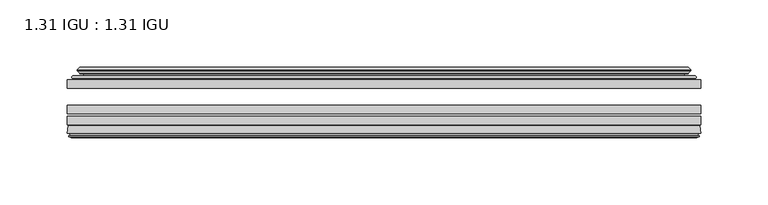
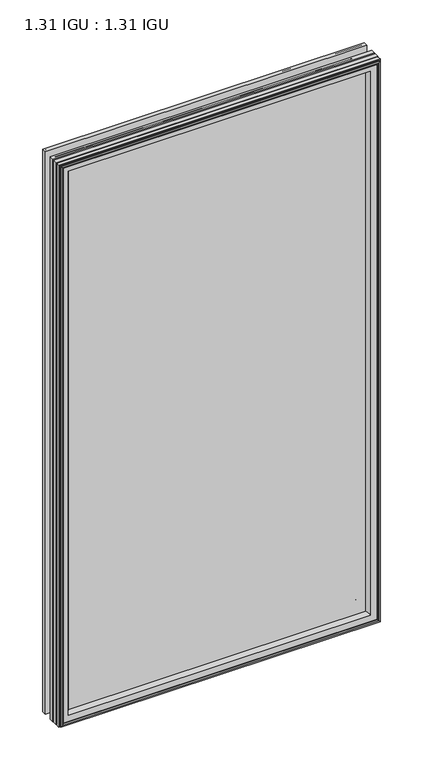
"""IFC4 building model written with IfcOpenShell, lengths in millimetres: plate geometry, 1.31 IGU : 1.31 IGU."""

from ifc_helpers import new_model, si_unit, frame, origin, place, context, project, spatial, polyline, ellipse_curve, outline, extrude, source, transform, mapped, element, save
from ifc_brep_helpers import plane_surface, cylinder_surface, revolved_surface, advanced_brep


def plate_1_31_igu_1_31_igu_f16c3557(model_context):
    return source(origin(), model_context, "Body", "SolidModel", [
        extrude(outline(polyline([(235.9413865, -51.7723437), (235.9413865, -58.1223438), (-236.0083333, -58.1223438), (-236.0083333, -51.7723437), (235.9413865, -51.7723437)])), frame((0.0, 0.0, -14.2875), z_axis=(0.0, 0.0, 1.0), x_axis=(1.0, 0.0, 0.0)), (0.0, 0.0, 1.0), 873.125),
        extrude(outline(polyline([(-236.0083333, -85.4273438), (-236.0083333, -79.0773437), (235.9413865, -79.0773437), (235.9413865, -85.4273438), (-236.0083333, -85.4273438)])), frame((0.0, 0.0, -14.2875), z_axis=(0.0, 0.0, 1.0), x_axis=(1.0, 0.0, 0.0)), (0.0, 0.0, 1.0), 873.125),
        extrude(outline(polyline([(-236.0083333, -77.1723438), (-236.0083333, -70.8223438), (235.9413865, -70.8223438), (235.9413865, -77.1723438), (-236.0083333, -77.1723438)])), frame((0.0, 0.0, -14.2875), z_axis=(0.0, 0.0, 1.0), x_axis=(1.0, 0.0, 0.0)), (0.0, 0.0, 1.0), 873.125),
        advanced_brep(
        [(-236.0210333, -91.7773437, 858.8502), (-235.3262495, -86.1187838, 858.1554162), (-235.3262495, -86.1187838, -13.6054162), (-236.0210333, -91.7773437, -14.3002), (-233.6334333, -93.768408, 856.4626), (-234.0906333, -91.7773437, 856.9198), (-234.0906333, -91.7773437, -12.3698), (-233.6334333, -93.768408, -11.9126), (-234.6347952, -93.5000939, 857.4639619), (-234.6347952, -93.5000939, -12.9139619), (-234.8780333, -94.407871, 857.7072), (-234.8780333, -94.407871, -13.1572), (-232.8460333, -94.9523437, 855.6752), (-232.8460333, -94.9523437, -11.1252), (-230.8140333, -94.407871, 853.6432), (-230.8140333, -94.407871, -9.0932), (-231.0572715, -93.5000939, 853.8864381), (-231.0572715, -93.5000939, -9.3364381), (-232.0586333, -93.768408, 854.8878), (-232.0586333, -93.768408, -10.3378), (-231.6014333, -91.7773437, 854.4306), (-231.6014333, -91.7773437, -9.8806), (-217.5318119, -85.4273437, 840.3609786), (-221.7208333, -91.7773437, 844.55), (-221.7208333, -91.7773437, 0.0), (-217.5318119, -85.4273437, 4.1890214), (-234.5447187, -85.4273437, 857.3738854), (-234.5447187, -85.4273437, -12.8238854), (235.3262495, -86.1187838, -13.6054162), (236.0210333, -91.7773437, -14.3002), (234.0906333, -91.7773437, -12.3698), (233.6334333, -93.768408, -11.9126), (234.6347952, -93.5000939, -12.9139619), (234.8780333, -94.407871, -13.1572), (232.8460333, -94.9523437, -11.1252), (230.8140333, -94.407871, -9.0932), (231.0572715, -93.5000939, -9.3364381), (232.0586333, -93.768408, -10.3378), (231.6014333, -91.7773437, -9.8806), (221.7208333, -91.7773437, 0.0), (217.5318119, -85.4273437, 4.1890214), (234.5447187, -85.4273437, -12.8238854), (235.3262495, -86.1187838, 858.1554162), (236.0210333, -91.7773437, 858.8502), (234.0906333, -91.7773437, 856.9198), (233.6334333, -93.768408, 856.4626), (234.6347952, -93.5000939, 857.4639619), (234.8780333, -94.407871, 857.7072), (232.8460333, -94.9523437, 855.6752), (230.8140333, -94.407871, 853.6432), (231.0572715, -93.5000939, 853.8864381), (232.0586333, -93.768408, 854.8878), (231.6014333, -91.7773437, 854.4306), (221.7208333, -91.7773437, 844.55), (217.5318119, -85.4273437, 840.3609786), (234.5447187, -85.4273437, 857.3738854)],
        [
            (0, 1),
            (1, 2),
            (2, 3),
            (3, 0),
            (4, 5),
            (5, 6),
            (6, 7),
            (7, 4),
            (8, 4),
            (7, 9),
            (9, 8),
            (10, 8),
            (9, 11),
            (11, 10),
            (12, 10),
            (11, 13),
            (13, 12),
            (14, 12),
            (13, 15),
            (15, 14),
            (16, 14),
            (15, 17),
            (17, 16),
            (18, 16),
            (17, 19),
            (19, 18),
            (20, 18),
            (19, 21),
            (21, 20),
            (22, 23, ellipse_curve(frame((-214.7369394, -91.8278132, 837.566106), z_axis=(0.7071067811865475, 0.0, 0.7071067811865475), x_axis=(0.7071067811865474, 0.0, -0.7071067811865476)), 9.8769754, 6.9840763)),
            (23, 24),
            (24, 25, ellipse_curve(frame((-214.7369394, -91.8278132, 6.983894), z_axis=(0.7071067811865475, 0.0, -0.7071067811865475), x_axis=(-0.7071067811865474, 0.0, -0.7071067811865476)), 9.8769754, 6.9840763)),
            (25, 22),
            (1, 26, ellipse_curve(frame((-234.5447187, -86.2147437, 857.3738854), z_axis=(-0.7071067811865475, 0.0, -0.7071067811865475), x_axis=(-0.7071067811865474, 0.0, 0.7071067811865476)), 1.1135518, 0.7874)),
            (26, 27),
            (27, 2, ellipse_curve(frame((-234.5447187, -86.2147437, -12.8238854), z_axis=(-0.7071067811865475, 0.0, 0.7071067811865475), x_axis=(0.7071067811865474, 0.0, 0.7071067811865476)), 1.1135518, 0.7874)),
            (2, 28),
            (28, 29),
            (29, 3),
            (6, 30),
            (30, 31),
            (31, 7),
            (31, 32),
            (32, 9),
            (32, 33),
            (33, 11),
            (33, 34),
            (34, 13),
            (34, 35),
            (35, 15),
            (35, 36),
            (36, 17),
            (36, 37),
            (37, 19),
            (37, 38),
            (38, 21),
            (24, 39),
            (39, 40, ellipse_curve(frame((214.7369394, -91.8278132, 6.983894), z_axis=(0.7071067811865475, 0.0, 0.7071067811865475), x_axis=(0.7071067811865476, 0.0, -0.7071067811865474)), 9.8769754, 6.9840763)),
            (40, 25),
            (27, 41),
            (41, 28, ellipse_curve(frame((234.5447187, -86.2147437, -12.8238854), z_axis=(-0.7071067811865475, 0.0, -0.7071067811865475), x_axis=(-0.7071067811865476, 0.0, 0.7071067811865474)), 1.1135518, 0.7874)),
            (28, 42),
            (42, 43),
            (43, 29),
            (30, 44),
            (44, 45),
            (45, 31),
            (45, 46),
            (46, 32),
            (46, 47),
            (47, 33),
            (47, 48),
            (48, 34),
            (48, 49),
            (49, 35),
            (49, 50),
            (50, 36),
            (50, 51),
            (51, 37),
            (51, 52),
            (52, 38),
            (39, 53),
            (53, 54, ellipse_curve(frame((214.7369394, -91.8278132, 837.566106), z_axis=(-0.7071067811865475, 0.0, 0.7071067811865475), x_axis=(0.7071067811865474, 0.0, 0.7071067811865476)), 9.8769754, 6.9840763)),
            (54, 40),
            (41, 55),
            (55, 42, ellipse_curve(frame((234.5447187, -86.2147437, 857.3738854), z_axis=(0.7071067811865475, 0.0, -0.7071067811865475), x_axis=(-0.7071067811865474, 0.0, -0.7071067811865476)), 1.1135518, 0.7874)),
            (42, 1),
            (0, 43),
            (5, 44),
            (4, 45),
            (8, 46),
            (10, 47),
            (12, 48),
            (14, 49),
            (16, 50),
            (18, 51),
            (20, 52),
            (23, 53),
            (22, 54),
            (26, 55),
        ],
        [
            plane_surface(frame((-235.3262495, -86.1187838, 858.1554162), z_axis=(-0.9925461516413241, 0.12186934340513102, 0.0), x_axis=(0.0, 0.0, -1.0))),
            plane_surface(frame((-234.0906333, -91.7773437, 856.9198), z_axis=(-0.9746347637895992, -0.22380142361654515, 0.0), x_axis=(0.0, 0.0, -1.0))),
            plane_surface(frame((-233.6334333, -93.768408, 856.4626), z_axis=(0.2588190451026678, 0.9659258262890289, 0.0), x_axis=(0.0, 0.0, -1.0))),
            plane_surface(frame((-234.6347952, -93.5000939, 857.4639619), z_axis=(-0.9659258262890449, 0.2588190451026082, 0.0), x_axis=(0.0, 0.0, -1.0))),
            plane_surface(frame((-234.8780333, -94.407871, 857.7072), z_axis=(-0.25881904510250453, -0.9659258262890728, 0.0), x_axis=(0.0, 0.0, -1.0))),
            plane_surface(frame((-232.8460333, -94.9523437, 855.6752), z_axis=(0.25881904510247905, -0.9659258262890795, 0.0), x_axis=(0.0, 0.0, -1.0))),
            plane_surface(frame((-230.8140333, -94.407871, 853.6432), z_axis=(0.9659258262890272, 0.2588190451026741, 0.0), x_axis=(0.0, 0.0, -1.0))),
            plane_surface(frame((-231.0572715, -93.5000939, 853.8864381), z_axis=(-0.2588190451023418, 0.9659258262891163, 0.0), x_axis=(0.0, 0.0, -1.0))),
            plane_surface(frame((-232.0586333, -93.768408, 854.8878), z_axis=(0.9746347637895937, -0.22380142361656946, 0.0), x_axis=(0.0, 0.0, -1.0))),
            revolved_surface(polyline([(-221.7210157, -91.8278132, -0.00018228295277822326), (-221.7210157, -91.8278132, 844.5501822829527)]), (-214.7369394, -91.8278132, 876.3), (0.0, 0.0, -1.0)),
            cylinder_surface(frame((-234.5447187, -86.2147437, 876.3), z_axis=(0.0, 0.0, 1.0), x_axis=(-1.0, 0.0, 0.0)), 0.7874),
            plane_surface(frame((-235.3262495, -86.1187838, -13.6054162), z_axis=(0.0, 0.12186934340512784, -0.9925461516413245), x_axis=(1.0, 0.0, 0.0))),
            plane_surface(frame((-234.0906333, -91.7773437, -12.3698), z_axis=(0.0, -0.22380142361654828, -0.9746347637895986), x_axis=(1.0, 0.0, 0.0))),
            plane_surface(frame((-233.6334333, -93.768408, -11.9126), z_axis=(0.0, 0.9659258262890298, 0.25881904510266474), x_axis=(1.0, 0.0, 0.0))),
            plane_surface(frame((-234.6347952, -93.5000939, -12.9139619), z_axis=(0.0, 0.2588190451026051, -0.9659258262890457), x_axis=(1.0, 0.0, 0.0))),
            plane_surface(frame((-234.8780333, -94.407871, -13.1572), z_axis=(0.0, -0.9659258262890735, -0.2588190451025014), x_axis=(1.0, 0.0, 0.0))),
            plane_surface(frame((-232.8460333, -94.9523437, -11.1252), z_axis=(0.0, -0.9659258262890787, 0.25881904510248216), x_axis=(1.0, 0.0, 0.0))),
            plane_surface(frame((-230.8140333, -94.407871, -9.0932), z_axis=(0.0, 0.2588190451026772, 0.9659258262890265), x_axis=(1.0, 0.0, 0.0))),
            plane_surface(frame((-231.0572715, -93.5000939, -9.3364381), z_axis=(0.0, 0.9659258262891155, -0.25881904510234494), x_axis=(1.0, 0.0, 0.0))),
            plane_surface(frame((-232.0586333, -93.768408, -10.3378), z_axis=(0.0, -0.22380142361656633, 0.9746347637895943), x_axis=(1.0, 0.0, 0.0))),
            revolved_surface(polyline([(221.7210156829527, -91.8278132, -0.00018229999999963553), (-221.72101568295273, -91.8278132, -0.00018229999999963553)]), (-253.4708333, -91.8278132, 6.983894), (1.0, 0.0, 0.0)),
            cylinder_surface(frame((-253.4708333, -86.2147437, -12.8238854), z_axis=(-1.0, 0.0, 0.0), x_axis=(0.0, 0.0, -1.0)), 0.7874),
            plane_surface(frame((235.3262495, -86.1187838, -13.6054162), z_axis=(0.992546151641325, 0.12186934340512466, 0.0), x_axis=(0.0, 0.0, 1.0))),
            plane_surface(frame((234.0906333, -91.7773437, -12.3698), z_axis=(0.9746347637895978, -0.2238014236165514, 0.0), x_axis=(0.0, 0.0, 1.0))),
            plane_surface(frame((233.6334333, -93.768408, -11.9126), z_axis=(-0.2588190451026616, 0.9659258262890306, 0.0), x_axis=(0.0, 0.0, 1.0))),
            plane_surface(frame((234.6347952, -93.5000939, -12.9139619), z_axis=(0.9659258262890466, 0.25881904510260206, 0.0), x_axis=(0.0, 0.0, 1.0))),
            plane_surface(frame((234.8780333, -94.407871, -13.1572), z_axis=(0.2588190451024983, -0.9659258262890743, 0.0), x_axis=(0.0, 0.0, 1.0))),
            plane_surface(frame((232.8460333, -94.9523437, -11.1252), z_axis=(-0.25881904510248527, -0.9659258262890779, 0.0), x_axis=(0.0, 0.0, 1.0))),
            plane_surface(frame((230.8140333, -94.407871, -9.0932), z_axis=(-0.9659258262890257, 0.25881904510268033, 0.0), x_axis=(0.0, 0.0, 1.0))),
            plane_surface(frame((231.0572715, -93.5000939, -9.3364381), z_axis=(0.25881904510234804, 0.9659258262891147, 0.0), x_axis=(0.0, 0.0, 1.0))),
            plane_surface(frame((232.0586333, -93.768408, -10.3378), z_axis=(-0.974634763789595, -0.2238014236165632, 0.0), x_axis=(0.0, 0.0, 1.0))),
            revolved_surface(polyline([(221.7210157, -91.8278132, 844.5501822829527), (221.7210157, -91.8278132, -0.0001822829527107217)]), (214.7369394, -91.8278132, -31.75), (0.0, 0.0, 1.0)),
            cylinder_surface(frame((234.5447187, -86.2147437, -31.75), z_axis=(0.0, 0.0, -1.0), x_axis=(1.0, 0.0, 0.0)), 0.7874),
            plane_surface(frame((235.3262495, -86.1187838, 858.1554162), z_axis=(0.0, 0.12186934340512784, 0.9925461516413245), x_axis=(-1.0, 0.0, 0.0))),
            plane_surface(frame((236.0210333, -91.7773437, 858.8502), z_axis=(0.0, -1.0, 0.0), x_axis=(-1.0, 0.0, 0.0))),
            plane_surface(frame((234.0906333, -91.7773437, 856.9198), z_axis=(0.0, -0.22380142361654826, 0.9746347637895985), x_axis=(-1.0, 0.0, 0.0))),
            plane_surface(frame((233.6334333, -93.768408, 856.4626), z_axis=(0.0, 0.9659258262890298, -0.25881904510266474), x_axis=(-1.0, 0.0, 0.0))),
            plane_surface(frame((234.6347952, -93.5000939, 857.4639619), z_axis=(0.0, 0.25881904510260517, 0.9659258262890458), x_axis=(-1.0, 0.0, 0.0))),
            plane_surface(frame((234.8780333, -94.407871, 857.7072), z_axis=(0.0, -0.9659258262890735, 0.2588190451025014), x_axis=(-1.0, 0.0, 0.0))),
            plane_surface(frame((232.8460333, -94.9523437, 855.6752), z_axis=(0.0, -0.9659258262890786, -0.25881904510248216), x_axis=(-1.0, 0.0, 0.0))),
            plane_surface(frame((230.8140333, -94.407871, 853.6432), z_axis=(0.0, 0.2588190451026772, -0.9659258262890265), x_axis=(-1.0, 0.0, 0.0))),
            plane_surface(frame((231.0572715, -93.5000939, 853.8864381), z_axis=(0.0, 0.9659258262891155, 0.25881904510234494), x_axis=(-1.0, 0.0, 0.0))),
            plane_surface(frame((232.0586333, -93.768408, 854.8878), z_axis=(0.0, -0.22380142361656633, -0.9746347637895943), x_axis=(-1.0, 0.0, 0.0))),
            plane_surface(frame((231.6014333, -91.7773437, 854.4306), z_axis=(0.0, -1.0, 0.0), x_axis=(-1.0, 0.0, 0.0))),
            revolved_surface(polyline([(-221.7210156829527, -91.8278132, 844.5501823), (221.72101568295273, -91.8278132, 844.5501823)]), (253.4708333, -91.8278132, 837.566106), (-1.0, 0.0, 0.0)),
            plane_surface(frame((217.5318119, -85.4273437, 840.3609786), z_axis=(0.0, 1.0, 0.0), x_axis=(-1.0, 0.0, 0.0))),
            cylinder_surface(frame((253.4708333, -86.2147437, 857.3738854), z_axis=(1.0, 0.0, 0.0), x_axis=(0.0, 0.0, 1.0)), 0.7874),
        ],
        [
            (0, [[1, 2, 3, 4]]),
            (1, [[5, 6, 7, 8]]),
            (2, [[9, -8, 10, 11]]),
            (3, [[12, -11, 13, 14]]),
            (4, [[15, -14, 16, 17]]),
            (5, [[18, -17, 19, 20]]),
            (6, [[21, -20, 22, 23]]),
            (7, [[24, -23, 25, 26]]),
            (8, [[27, -26, 28, 29]]),
            (9, [[30, 31, 32, 33]]),
            (10, [[34, 35, 36, -2]]),
            (11, [[-3, 37, 38, 39]]),
            (12, [[-7, 40, 41, 42]]),
            (13, [[-10, -42, 43, 44]]),
            (14, [[-13, -44, 45, 46]]),
            (15, [[-16, -46, 47, 48]]),
            (16, [[-19, -48, 49, 50]]),
            (17, [[-22, -50, 51, 52]]),
            (18, [[-25, -52, 53, 54]]),
            (19, [[-28, -54, 55, 56]]),
            (20, [[-32, 57, 58, 59]]),
            (21, [[-36, 60, 61, -37]]),
            (22, [[-38, 62, 63, 64]]),
            (23, [[-41, 65, 66, 67]]),
            (24, [[-43, -67, 68, 69]]),
            (25, [[-45, -69, 70, 71]]),
            (26, [[-47, -71, 72, 73]]),
            (27, [[-49, -73, 74, 75]]),
            (28, [[-51, -75, 76, 77]]),
            (29, [[-53, -77, 78, 79]]),
            (30, [[-55, -79, 80, 81]]),
            (31, [[-58, 82, 83, 84]]),
            (32, [[-61, 85, 86, -62]]),
            (33, [[-63, 87, -1, 88]]),
            (34, [[-39, -64, -88, -4], [89, -65, -40, -6]]),
            (35, [[-66, -89, -5, 90]]),
            (36, [[-68, -90, -9, 91]]),
            (37, [[-70, -91, -12, 92]]),
            (38, [[-72, -92, -15, 93]]),
            (39, [[-74, -93, -18, 94]]),
            (40, [[-76, -94, -21, 95]]),
            (41, [[-78, -95, -24, 96]]),
            (42, [[-80, -96, -27, 97]]),
            (43, [[-56, -81, -97, -29], [98, -82, -57, -31]]),
            (44, [[-83, -98, -30, 99]]),
            (45, [[100, -85, -60, -35], [-59, -84, -99, -33]]),
            (46, [[-86, -100, -34, -87]]),
        ],
    ),
        advanced_brep(
        [(-217.6731235, -50.6812421, 840.5022902), (-218.1149337, -51.7723437, 840.9441004), (-218.1149337, -51.7723437, 3.6058996), (-217.6731235, -50.6812421, 4.0477098), (-221.7208333, -42.9585437, 844.55), (-221.7208333, -42.9585437, 0.0), (-226.9067442, -44.1396428, 849.7359109), (-226.9067442, -44.1396428, -5.1859109), (-226.5771689, -43.3125262, 849.4063356), (-226.5771689, -43.3125262, -4.8563356), (-226.5771689, -42.4982749, 849.4063356), (-226.5771689, -42.4982749, -4.8563356), (-228.3934444, -44.4569108, 851.2226111), (-228.3934444, -44.4569108, -6.6726111), (-228.3934444, -45.1700367, 851.2226111), (-228.3934444, -45.1700367, -6.6726111), (-226.5771689, -47.1188911, 849.4063356), (-226.5771689, -47.1188911, -4.8563356), (-226.5771689, -46.3144213, 849.4063356), (-226.5771689, -46.3144213, -4.8563356), (-226.8990834, -45.5065305, 849.7282501), (-226.8990834, -45.5065305, -5.1782501), (-224.3752712, -45.3481387, 847.2044379), (-224.3752712, -45.3481387, -2.6544379), (-223.349455, -46.0358481, 846.1786217), (-223.349455, -46.0358481, -1.6286217), (-223.4678622, -47.4303169, 846.2970288), (-223.4678622, -47.4303169, -1.7470288), (-224.0696081, -48.9275437, 846.8987748), (-224.0696081, -48.9275437, -2.3487748), (-231.9953887, -50.8359667, 854.8245553), (-231.5097578, -48.9275437, 854.3389245), (-231.5097578, -48.9275437, -9.7889245), (-231.9953887, -50.8359667, -10.2745553), (-230.2746488, -51.7723437, 853.1038155), (-230.2746488, -51.7723437, -8.5538155), (218.1149337, -51.7723437, 3.6058996), (217.6731235, -50.6812421, 4.0477098), (221.7208333, -42.9585437, 0.0), (226.9067442, -44.1396428, -5.1859109), (226.5771689, -43.3125262, -4.8563356), (226.5771689, -42.4982749, -4.8563356), (228.3934444, -44.4569108, -6.6726111), (228.3934444, -45.1700367, -6.6726111), (226.5771689, -47.1188911, -4.8563356), (226.5771689, -46.3144213, -4.8563356), (226.8990834, -45.5065305, -5.1782501), (224.3752712, -45.3481387, -2.6544379), (223.349455, -46.0358481, -1.6286217), (223.4678622, -47.4303169, -1.7470288), (224.0696081, -48.9275437, -2.3487748), (231.5097578, -48.9275437, -9.7889245), (231.9953887, -50.8359667, -10.2745553), (230.2746488, -51.7723437, -8.5538155), (218.1149337, -51.7723437, 840.9441004), (217.6731235, -50.6812421, 840.5022902), (221.7208333, -42.9585437, 844.55), (226.9067442, -44.1396428, 849.7359109), (226.5771689, -43.3125262, 849.4063356), (226.5771689, -42.4982749, 849.4063356), (228.3934444, -44.4569108, 851.2226111), (228.3934444, -45.1700367, 851.2226111), (226.5771689, -47.1188911, 849.4063356), (226.5771689, -46.3144213, 849.4063356), (226.8990834, -45.5065305, 849.7282501), (224.3752712, -45.3481387, 847.2044379), (223.349455, -46.0358481, 846.1786217), (223.4678622, -47.4303169, 846.2970288), (224.0696081, -48.9275437, 846.8987748), (231.5097578, -48.9275437, 854.3389245), (231.9953887, -50.8359667, 854.8245553), (230.2746488, -51.7723437, 853.1038155)],
        [
            (0, 1, ellipse_curve(frame((-218.1149337, -51.1373437, 840.9441004), z_axis=(-0.7071067811865475, 0.0, -0.7071067811865475), x_axis=(-0.7071067811865474, 0.0, 0.7071067811865476)), 0.8980256, 0.635)),
            (1, 2),
            (2, 3, ellipse_curve(frame((-218.1149337, -51.1373437, 3.6058996), z_axis=(-0.7071067811865475, 0.0, 0.7071067811865475), x_axis=(0.7071067811865474, 0.0, 0.7071067811865476)), 0.8980256, 0.635)),
            (3, 0),
            (4, 0, ellipse_curve(frame((-207.9880387, -40.6828682, 830.8172054), z_axis=(0.7071067811865475, 0.0, 0.7071067811865475), x_axis=(0.7071067811865474, 0.0, -0.7071067811865476)), 19.6859517, 13.9200699)),
            (3, 5, ellipse_curve(frame((-207.9880387, -40.6828682, 13.7327946), z_axis=(0.7071067811865475, 0.0, -0.7071067811865475), x_axis=(-0.7071067811865474, 0.0, -0.7071067811865476)), 19.6859517, 13.9200699)),
            (5, 4),
            (6, 4),
            (5, 7),
            (7, 6),
            (8, 6),
            (7, 9),
            (9, 8),
            (10, 8),
            (9, 11),
            (11, 10),
            (12, 10),
            (11, 13),
            (13, 12),
            (14, 12, ellipse_curve(frame((-228.0316062, -44.8134737, 850.8607729), z_axis=(-0.7071067811865475, 0.0, -0.7071067811865475), x_axis=(-0.7071067811865474, 0.0, 0.7071067811865476)), 0.7184205, 0.508)),
            (13, 15, ellipse_curve(frame((-228.0316062, -44.8134737, -6.3107729), z_axis=(-0.7071067811865475, 0.0, 0.7071067811865475), x_axis=(0.7071067811865474, 0.0, 0.7071067811865476)), 0.7184205, 0.508)),
            (15, 14),
            (16, 14),
            (15, 17),
            (17, 16),
            (18, 16),
            (17, 19),
            (19, 18),
            (20, 18),
            (19, 21),
            (21, 20),
            (22, 20),
            (21, 23),
            (23, 22),
            (24, 22, ellipse_curve(frame((-224.3116333, -46.3621437, 847.1408), z_axis=(0.7071067811865475, 0.0, 0.7071067811865475), x_axis=(0.7071067811865474, 0.0, -0.7071067811865476)), 1.436841, 1.016)),
            (23, 25, ellipse_curve(frame((-224.3116333, -46.3621437, -2.5908), z_axis=(0.7071067811865475, 0.0, -0.7071067811865475), x_axis=(-0.7071067811865474, 0.0, -0.7071067811865476)), 1.436841, 1.016)),
            (25, 24),
            (26, 24, ellipse_curve(frame((-225.6832333, -46.5399437, 848.5124), z_axis=(0.7071067811865475, 0.0, 0.7071067811865475), x_axis=(0.7071067811865474, 0.0, -0.7071067811865476)), 3.3765763, 2.3876)),
            (25, 27, ellipse_curve(frame((-225.6832333, -46.5399437, -3.9624), z_axis=(0.7071067811865475, 0.0, -0.7071067811865475), x_axis=(-0.7071067811865474, 0.0, -0.7071067811865476)), 3.3765763, 2.3876)),
            (27, 26),
            (28, 26),
            (27, 29),
            (29, 28),
            (30, 31, ellipse_curve(frame((-231.5097578, -49.9435437, 854.3389245), z_axis=(-0.7071067811865475, 0.0, -0.7071067811865475), x_axis=(-0.7071067811865474, 0.0, 0.7071067811865476)), 1.436841, 1.016)),
            (31, 32),
            (32, 33, ellipse_curve(frame((-231.5097578, -49.9435437, -9.7889245), z_axis=(-0.7071067811865475, 0.0, 0.7071067811865475), x_axis=(0.7071067811865474, 0.0, 0.7071067811865476)), 1.436841, 1.016)),
            (33, 30),
            (34, 30),
            (33, 35),
            (35, 34),
            (2, 36),
            (36, 37, ellipse_curve(frame((218.1149337, -51.1373437, 3.6058996), z_axis=(-0.7071067811865475, 0.0, -0.7071067811865475), x_axis=(-0.7071067811865476, 0.0, 0.7071067811865474)), 0.8980256, 0.635)),
            (37, 3),
            (37, 38, ellipse_curve(frame((207.9880387, -40.6828682, 13.7327946), z_axis=(0.7071067811865475, 0.0, 0.7071067811865475), x_axis=(0.7071067811865476, 0.0, -0.7071067811865474)), 19.6859517, 13.9200699)),
            (38, 5),
            (38, 39),
            (39, 7),
            (39, 40),
            (40, 9),
            (40, 41),
            (41, 11),
            (41, 42),
            (42, 13),
            (42, 43, ellipse_curve(frame((228.0316062, -44.8134737, -6.3107729), z_axis=(-0.7071067811865475, 0.0, -0.7071067811865475), x_axis=(-0.7071067811865476, 0.0, 0.7071067811865474)), 0.7184205, 0.508)),
            (43, 15),
            (43, 44),
            (44, 17),
            (44, 45),
            (45, 19),
            (45, 46),
            (46, 21),
            (46, 47),
            (47, 23),
            (47, 48, ellipse_curve(frame((224.3116333, -46.3621437, -2.5908), z_axis=(0.7071067811865475, 0.0, 0.7071067811865475), x_axis=(0.7071067811865476, 0.0, -0.7071067811865474)), 1.436841, 1.016)),
            (48, 25),
            (48, 49, ellipse_curve(frame((225.6832333, -46.5399437, -3.9624), z_axis=(0.7071067811865475, 0.0, 0.7071067811865475), x_axis=(0.7071067811865476, 0.0, -0.7071067811865474)), 3.3765763, 2.3876)),
            (49, 27),
            (49, 50),
            (50, 29),
            (32, 51),
            (51, 52, ellipse_curve(frame((231.5097578, -49.9435437, -9.7889245), z_axis=(-0.7071067811865475, 0.0, -0.7071067811865475), x_axis=(-0.7071067811865476, 0.0, 0.7071067811865474)), 1.436841, 1.016)),
            (52, 33),
            (52, 53),
            (53, 35),
            (36, 54),
            (54, 55, ellipse_curve(frame((218.1149337, -51.1373437, 840.9441004), z_axis=(0.7071067811865475, 0.0, -0.7071067811865475), x_axis=(-0.7071067811865474, 0.0, -0.7071067811865476)), 0.8980256, 0.635)),
            (55, 37),
            (55, 56, ellipse_curve(frame((207.9880387, -40.6828682, 830.8172054), z_axis=(-0.7071067811865475, 0.0, 0.7071067811865475), x_axis=(0.7071067811865474, 0.0, 0.7071067811865476)), 19.6859517, 13.9200699)),
            (56, 38),
            (56, 57),
            (57, 39),
            (57, 58),
            (58, 40),
            (58, 59),
            (59, 41),
            (59, 60),
            (60, 42),
            (60, 61, ellipse_curve(frame((228.0316062, -44.8134737, 850.8607729), z_axis=(0.7071067811865475, 0.0, -0.7071067811865475), x_axis=(-0.7071067811865474, 0.0, -0.7071067811865476)), 0.7184205, 0.508)),
            (61, 43),
            (61, 62),
            (62, 44),
            (62, 63),
            (63, 45),
            (63, 64),
            (64, 46),
            (64, 65),
            (65, 47),
            (65, 66, ellipse_curve(frame((224.3116333, -46.3621437, 847.1408), z_axis=(-0.7071067811865475, 0.0, 0.7071067811865475), x_axis=(0.7071067811865474, 0.0, 0.7071067811865476)), 1.436841, 1.016)),
            (66, 48),
            (66, 67, ellipse_curve(frame((225.6832333, -46.5399437, 848.5124), z_axis=(-0.7071067811865475, 0.0, 0.7071067811865475), x_axis=(0.7071067811865474, 0.0, 0.7071067811865476)), 3.3765763, 2.3876)),
            (67, 49),
            (67, 68),
            (68, 50),
            (51, 69),
            (69, 70, ellipse_curve(frame((231.5097578, -49.9435437, 854.3389245), z_axis=(0.7071067811865475, 0.0, -0.7071067811865475), x_axis=(-0.7071067811865474, 0.0, -0.7071067811865476)), 1.436841, 1.016)),
            (70, 52),
            (70, 71),
            (71, 53),
            (54, 1),
            (0, 55),
            (4, 56),
            (6, 57),
            (8, 58),
            (10, 59),
            (12, 60),
            (14, 61),
            (16, 62),
            (18, 63),
            (20, 64),
            (22, 65),
            (24, 66),
            (26, 67),
            (28, 68),
            (31, 69),
            (30, 70),
            (34, 71),
        ],
        [
            cylinder_surface(frame((-218.1149337, -51.1373437, 876.3), z_axis=(0.0, 0.0, 1.0), x_axis=(-1.0, 0.0, 0.0)), 0.635),
            revolved_surface(polyline([(-221.9081086, -40.6828682, -0.18727534118079348), (-221.9081086, -40.6828682, 844.7372753411809)]), (-207.9880387, -40.6828682, 876.3), (0.0, 0.0, -1.0)),
            plane_surface(frame((-221.7208333, -42.9585437, 844.55), z_axis=(-0.22206498442778808, 0.9750318675259215, 0.0), x_axis=(0.0, 0.0, -1.0))),
            plane_surface(frame((-226.9067442, -44.1396428, 849.7359109), z_axis=(0.9289682685629942, -0.3701593656833133, 0.0), x_axis=(0.0, 0.0, -1.0))),
            plane_surface(frame((-226.5771689, -43.3125262, 849.4063356), z_axis=(1.0, 0.0, 0.0), x_axis=(0.0, 0.0, -1.0))),
            plane_surface(frame((-226.5771689, -42.4982749, 849.4063356), z_axis=(-0.7332521292723948, 0.6799568478348454, 0.0), x_axis=(0.0, 0.0, -1.0))),
            cylinder_surface(frame((-228.0316062, -44.8134737, 876.3), z_axis=(0.0, 0.0, 1.0), x_axis=(-1.0, 0.0, 0.0)), 0.508),
            plane_surface(frame((-228.3934444, -45.1700367, 851.2226111), z_axis=(-0.7315522693036389, -0.6817853601220082, 0.0), x_axis=(0.0, 0.0, -1.0))),
            plane_surface(frame((-226.5771689, -47.1188911, 849.4063356), z_axis=(1.0, 0.0, 0.0), x_axis=(0.0, 0.0, -1.0))),
            plane_surface(frame((-226.5771689, -46.3144213, 849.4063356), z_axis=(0.9289682685631103, 0.37015936568302166, 0.0), x_axis=(0.0, 0.0, -1.0))),
            plane_surface(frame((-226.8990834, -45.5065305, 849.7282501), z_axis=(0.06263570119321649, -0.9980364567169048, 0.0), x_axis=(0.0, 0.0, -1.0))),
            revolved_surface(polyline([(-225.3276333, -46.3621437, -3.606800014586838), (-225.3276333, -46.3621437, 848.1568000145869)]), (-224.3116333, -46.3621437, 876.3), (0.0, 0.0, -1.0)),
            revolved_surface(polyline([(-228.0708333, -46.5399437, -6.3499999989237494), (-228.0708333, -46.5399437, 850.8999999989237)]), (-225.6832333, -46.5399437, 876.3), (0.0, 0.0, -1.0)),
            plane_surface(frame((-223.4678622, -47.4303169, 846.2970288), z_axis=(-0.927865292542892, 0.3729155385530262, 0.0), x_axis=(0.0, 0.0, -1.0))),
            cylinder_surface(frame((-231.5097578, -49.9435437, 876.3), z_axis=(0.0, 0.0, 1.0), x_axis=(-1.0, 0.0, 0.0)), 1.016),
            plane_surface(frame((-231.9953887, -50.8359667, 854.8245553), z_axis=(-0.477983117370979, -0.8783690223979447, 0.0), x_axis=(0.0, 0.0, -1.0))),
            cylinder_surface(frame((-253.4708333, -51.1373437, 3.6058996), z_axis=(-1.0, 0.0, 0.0), x_axis=(0.0, 0.0, -1.0)), 0.635),
            revolved_surface(polyline([(221.90810864118086, -40.6828682, -0.1872752999999996), (-221.90810864118083, -40.6828682, -0.1872752999999996)]), (-253.4708333, -40.6828682, 13.7327946), (1.0, 0.0, 0.0)),
            plane_surface(frame((-221.7208333, -42.9585437, 0.0), z_axis=(0.0, 0.9750318675259209, -0.2220649844277912), x_axis=(1.0, 0.0, 0.0))),
            plane_surface(frame((-226.9067442, -44.1396428, -5.1859109), z_axis=(0.0, -0.3701593656833103, 0.9289682685629954), x_axis=(1.0, 0.0, 0.0))),
            plane_surface(frame((-226.5771689, -43.3125262, -4.8563356), z_axis=(0.0, 0.0, 1.0), x_axis=(1.0, 0.0, 0.0))),
            plane_surface(frame((-226.5771689, -42.4982749, -4.8563356), z_axis=(0.0, 0.6799568478348431, -0.733252129272397), x_axis=(1.0, 0.0, 0.0))),
            cylinder_surface(frame((-253.4708333, -44.8134737, -6.3107729), z_axis=(-1.0, 0.0, 0.0), x_axis=(0.0, 0.0, -1.0)), 0.508),
            plane_surface(frame((-228.3934444, -45.1700367, -6.6726111), z_axis=(0.0, -0.6817853601220105, -0.7315522693036367), x_axis=(1.0, 0.0, 0.0))),
            plane_surface(frame((-226.5771689, -47.1188911, -4.8563356), z_axis=(0.0, 0.0, 1.0), x_axis=(1.0, 0.0, 0.0))),
            plane_surface(frame((-226.5771689, -46.3144213, -4.8563356), z_axis=(0.0, 0.37015936568302465, 0.9289682685631091), x_axis=(1.0, 0.0, 0.0))),
            plane_surface(frame((-226.8990834, -45.5065305, -5.1782501), z_axis=(0.0, -0.9980364567169046, 0.06263570119321968), x_axis=(1.0, 0.0, 0.0))),
            revolved_surface(polyline([(225.32763331458685, -46.3621437, -3.6068000000000002), (-225.32763331458688, -46.3621437, -3.6068000000000002)]), (-253.4708333, -46.3621437, -2.5908), (1.0, 0.0, 0.0)),
            revolved_surface(polyline([(228.07083329892382, -46.5399437, -6.35), (-228.0708332989238, -46.5399437, -6.35)]), (-253.4708333, -46.5399437, -3.9624), (1.0, 0.0, 0.0)),
            plane_surface(frame((-223.4678622, -47.4303169, -1.7470288), z_axis=(0.0, 0.37291553855302323, -0.9278652925428932), x_axis=(1.0, 0.0, 0.0))),
            cylinder_surface(frame((-253.4708333, -49.9435437, -9.7889245), z_axis=(-1.0, 0.0, 0.0), x_axis=(0.0, 0.0, -1.0)), 1.016),
            plane_surface(frame((-231.9953887, -50.8359667, -10.2745553), z_axis=(0.0, -0.8783690223979462, -0.47798311737097615), x_axis=(1.0, 0.0, 0.0))),
            cylinder_surface(frame((218.1149337, -51.1373437, -31.75), z_axis=(0.0, 0.0, -1.0), x_axis=(1.0, 0.0, 0.0)), 0.635),
            revolved_surface(polyline([(221.9081086, -40.6828682, 844.7372753411809), (221.9081086, -40.6828682, -0.1872753411808432)]), (207.9880387, -40.6828682, -31.75), (0.0, 0.0, 1.0)),
            plane_surface(frame((221.7208333, -42.9585437, 0.0), z_axis=(0.22206498442779435, 0.9750318675259202, 0.0), x_axis=(0.0, 0.0, 1.0))),
            plane_surface(frame((226.9067442, -44.1396428, -5.1859109), z_axis=(-0.9289682685629966, -0.3701593656833073, 0.0), x_axis=(0.0, 0.0, 1.0))),
            plane_surface(frame((226.5771689, -43.3125262, -4.8563356), z_axis=(-1.0, 0.0, 0.0), x_axis=(0.0, 0.0, 1.0))),
            plane_surface(frame((226.5771689, -42.4982749, -4.8563356), z_axis=(0.7332521292723992, 0.6799568478348408, 0.0), x_axis=(0.0, 0.0, 1.0))),
            cylinder_surface(frame((228.0316062, -44.8134737, -31.75), z_axis=(0.0, 0.0, -1.0), x_axis=(1.0, 0.0, 0.0)), 0.508),
            plane_surface(frame((228.3934444, -45.1700367, -6.6726111), z_axis=(0.7315522693036345, -0.6817853601220129, 0.0), x_axis=(0.0, 0.0, 1.0))),
            plane_surface(frame((226.5771689, -47.1188911, -4.8563356), z_axis=(-1.0, 0.0, 0.0), x_axis=(0.0, 0.0, 1.0))),
            plane_surface(frame((226.5771689, -46.3144213, -4.8563356), z_axis=(-0.928968268563108, 0.3701593656830277, 0.0), x_axis=(0.0, 0.0, 1.0))),
            plane_surface(frame((226.8990834, -45.5065305, -5.1782501), z_axis=(-0.06263570119322287, -0.9980364567169043, 0.0), x_axis=(0.0, 0.0, 1.0))),
            revolved_surface(polyline([(225.3276333, -46.3621437, 848.1568000145869), (225.3276333, -46.3621437, -3.606800014586863)]), (224.3116333, -46.3621437, -31.75), (0.0, 0.0, 1.0)),
            revolved_surface(polyline([(228.0708333, -46.5399437, 850.8999999989237), (228.0708333, -46.5399437, -6.349999998923781)]), (225.6832333, -46.5399437, -31.75), (0.0, 0.0, 1.0)),
            plane_surface(frame((223.4678622, -47.4303169, -1.7470288), z_axis=(0.9278652925428944, 0.37291553855302023, 0.0), x_axis=(0.0, 0.0, 1.0))),
            cylinder_surface(frame((231.5097578, -49.9435437, -31.75), z_axis=(0.0, 0.0, -1.0), x_axis=(1.0, 0.0, 0.0)), 1.016),
            plane_surface(frame((231.9953887, -50.8359667, -10.2745553), z_axis=(0.4779831173709733, -0.8783690223979478, 0.0), x_axis=(0.0, 0.0, 1.0))),
            cylinder_surface(frame((253.4708333, -51.1373437, 840.9441004), z_axis=(1.0, 0.0, 0.0), x_axis=(0.0, 0.0, 1.0)), 0.635),
            revolved_surface(polyline([(-221.90810864118086, -40.6828682, 844.7372753000001), (221.90810864118083, -40.6828682, 844.7372753000001)]), (253.4708333, -40.6828682, 830.8172054), (-1.0, 0.0, 0.0)),
            plane_surface(frame((221.7208333, -42.9585437, 844.55), z_axis=(0.0, 0.9750318675259209, 0.2220649844277912), x_axis=(-1.0, 0.0, 0.0))),
            plane_surface(frame((226.9067442, -44.1396428, 849.7359109), z_axis=(0.0, -0.3701593656833103, -0.9289682685629954), x_axis=(-1.0, 0.0, 0.0))),
            plane_surface(frame((226.5771689, -43.3125262, 849.4063356), z_axis=(0.0, 0.0, -1.0), x_axis=(-1.0, 0.0, 0.0))),
            plane_surface(frame((226.5771689, -42.4982749, 849.4063356), z_axis=(0.0, 0.6799568478348431, 0.733252129272397), x_axis=(-1.0, 0.0, 0.0))),
            cylinder_surface(frame((253.4708333, -44.8134737, 850.8607729), z_axis=(1.0, 0.0, 0.0), x_axis=(0.0, 0.0, 1.0)), 0.508),
            plane_surface(frame((228.3934444, -45.1700367, 851.2226111), z_axis=(0.0, -0.6817853601220105, 0.7315522693036367), x_axis=(-1.0, 0.0, 0.0))),
            plane_surface(frame((226.5771689, -47.1188911, 849.4063356), z_axis=(0.0, 0.0, -1.0), x_axis=(-1.0, 0.0, 0.0))),
            plane_surface(frame((226.5771689, -46.3144213, 849.4063356), z_axis=(0.0, 0.3701593656830247, -0.9289682685631092), x_axis=(-1.0, 0.0, 0.0))),
            plane_surface(frame((226.8990834, -45.5065305, 849.7282501), z_axis=(0.0, -0.9980364567169046, -0.06263570119321968), x_axis=(-1.0, 0.0, 0.0))),
            revolved_surface(polyline([(-225.32763331458685, -46.3621437, 848.1568), (225.32763331458688, -46.3621437, 848.1568)]), (253.4708333, -46.3621437, 847.1408), (-1.0, 0.0, 0.0)),
            revolved_surface(polyline([(-228.07083329892382, -46.5399437, 850.9), (228.0708332989238, -46.5399437, 850.9)]), (253.4708333, -46.5399437, 848.5124), (-1.0, 0.0, 0.0)),
            plane_surface(frame((223.4678622, -47.4303169, 846.2970288), z_axis=(0.0, 0.37291553855302323, 0.9278652925428932), x_axis=(-1.0, 0.0, 0.0))),
            plane_surface(frame((224.0696081, -48.9275437, 846.8987748), z_axis=(0.0, 1.0, 0.0), x_axis=(-1.0, 0.0, 0.0))),
            cylinder_surface(frame((253.4708333, -49.9435437, 854.3389245), z_axis=(1.0, 0.0, 0.0), x_axis=(0.0, 0.0, 1.0)), 1.016),
            plane_surface(frame((231.9953887, -50.8359667, 854.8245553), z_axis=(0.0, -0.8783690223979462, 0.47798311737097615), x_axis=(-1.0, 0.0, 0.0))),
            plane_surface(frame((230.2746488, -51.7723437, 853.1038155), z_axis=(0.0, -1.0, 0.0), x_axis=(-1.0, 0.0, 0.0))),
        ],
        [
            (0, [[1, 2, 3, 4]]),
            (1, [[5, -4, 6, 7]]),
            (2, [[8, -7, 9, 10]]),
            (3, [[11, -10, 12, 13]]),
            (4, [[14, -13, 15, 16]]),
            (5, [[17, -16, 18, 19]]),
            (6, [[20, -19, 21, 22]]),
            (7, [[23, -22, 24, 25]]),
            (8, [[26, -25, 27, 28]]),
            (9, [[29, -28, 30, 31]]),
            (10, [[32, -31, 33, 34]]),
            (11, [[35, -34, 36, 37]]),
            (12, [[38, -37, 39, 40]]),
            (13, [[41, -40, 42, 43]]),
            (14, [[44, 45, 46, 47]]),
            (15, [[48, -47, 49, 50]]),
            (16, [[-3, 51, 52, 53]]),
            (17, [[-6, -53, 54, 55]]),
            (18, [[-9, -55, 56, 57]]),
            (19, [[-12, -57, 58, 59]]),
            (20, [[-15, -59, 60, 61]]),
            (21, [[-18, -61, 62, 63]]),
            (22, [[-21, -63, 64, 65]]),
            (23, [[-24, -65, 66, 67]]),
            (24, [[-27, -67, 68, 69]]),
            (25, [[-30, -69, 70, 71]]),
            (26, [[-33, -71, 72, 73]]),
            (27, [[-36, -73, 74, 75]]),
            (28, [[-39, -75, 76, 77]]),
            (29, [[-42, -77, 78, 79]]),
            (30, [[-46, 80, 81, 82]]),
            (31, [[-49, -82, 83, 84]]),
            (32, [[-52, 85, 86, 87]]),
            (33, [[-54, -87, 88, 89]]),
            (34, [[-56, -89, 90, 91]]),
            (35, [[-58, -91, 92, 93]]),
            (36, [[-60, -93, 94, 95]]),
            (37, [[-62, -95, 96, 97]]),
            (38, [[-64, -97, 98, 99]]),
            (39, [[-66, -99, 100, 101]]),
            (40, [[-68, -101, 102, 103]]),
            (41, [[-70, -103, 104, 105]]),
            (42, [[-72, -105, 106, 107]]),
            (43, [[-74, -107, 108, 109]]),
            (44, [[-76, -109, 110, 111]]),
            (45, [[-78, -111, 112, 113]]),
            (46, [[-81, 114, 115, 116]]),
            (47, [[-83, -116, 117, 118]]),
            (48, [[-86, 119, -1, 120]]),
            (49, [[-88, -120, -5, 121]]),
            (50, [[-90, -121, -8, 122]]),
            (51, [[-92, -122, -11, 123]]),
            (52, [[-94, -123, -14, 124]]),
            (53, [[-96, -124, -17, 125]]),
            (54, [[-98, -125, -20, 126]]),
            (55, [[-100, -126, -23, 127]]),
            (56, [[-102, -127, -26, 128]]),
            (57, [[-104, -128, -29, 129]]),
            (58, [[-106, -129, -32, 130]]),
            (59, [[-108, -130, -35, 131]]),
            (60, [[-110, -131, -38, 132]]),
            (61, [[-112, -132, -41, 133]]),
            (62, [[134, -114, -80, -45], [-79, -113, -133, -43]]),
            (63, [[-115, -134, -44, 135]]),
            (64, [[-117, -135, -48, 136]]),
            (65, [[-84, -118, -136, -50], [-119, -85, -51, -2]]),
        ],
    ),
    ])


if __name__ == "__main__":
    model = new_model("IFC4")
    model_context = context("Model", 3, world=origin())
    ifc_project = project(units=[si_unit("LENGTHUNIT", "METRE", prefix="MILLI")], contexts=[model_context])
    site = spatial("IfcSite", under=ifc_project)
    building = spatial("IfcBuilding", under=site)
    placement = place(None, origin())
    plate_1_31_igu_1_31_igu_shape = plate_1_31_igu_1_31_igu_f16c3557(model_context)
    element("IfcPlate", 1, ObjectType="1.31 IGU : 1.31 IGU", at=placement, inside=building, context=model_context, shape_type="MappedRepresentation", body=[
        mapped(plate_1_31_igu_1_31_igu_shape, transform((0.0, 0.0, 0.0), x_axis=(1.0, 0.0, 0.0), y_axis=(0.0, 1.0, 0.0), z_axis=(0.0, 0.0, 1.0))),
    ])
    save(model, "model.ifc")
